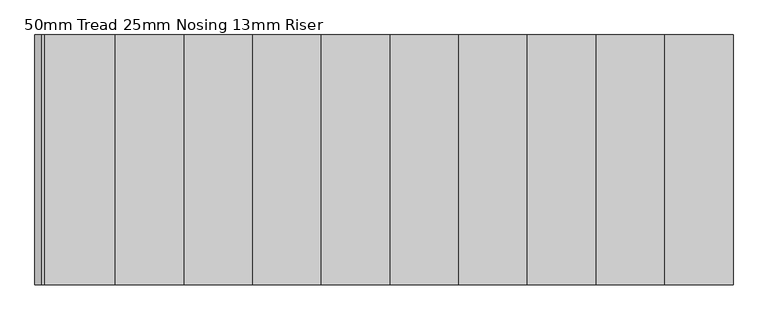
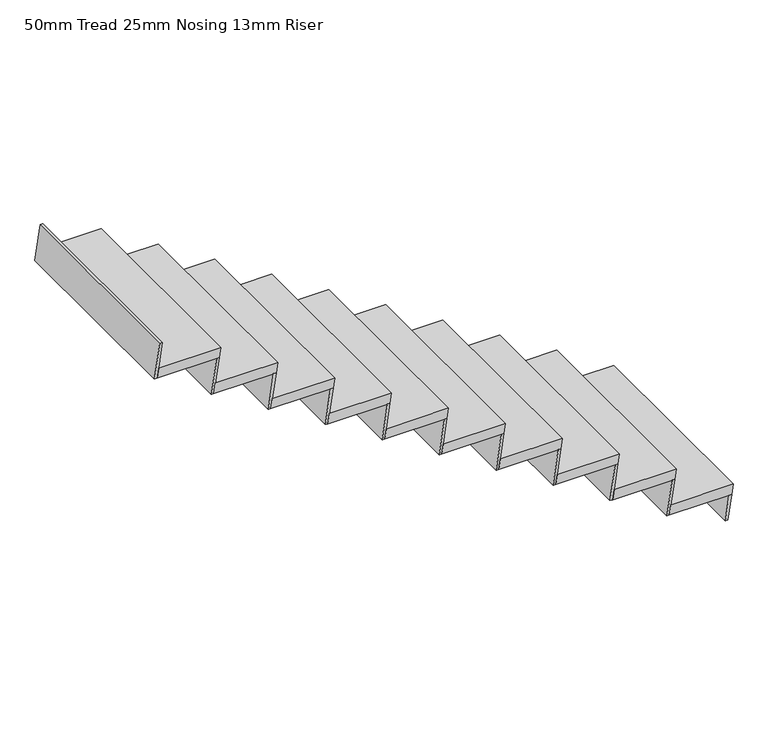
"""IFC4 building model written with IfcOpenShell, lengths in millimetres: stair flight geometry, 50mm Tread 25mm Nosing 13mm Riser."""

from ifc_helpers import new_model, si_unit, origin, place, context, project, spatial, faceted_brep, source, transform, mapped, element, save


def stair_flight_50mm_tread_25mm_nosing_13mm_riser_6764462c(model_context):
    return source(origin(), model_context, "Body", "Brep", [
        faceted_brep([(-4673.5788798, 2252.5953921, 173.9130435), (-4680.7663798, 2252.5953921, 123.9130435), (-4680.7663798, 1252.5953921, 123.9130435), (-4673.5788798, 1252.5953921, 173.9130435), (-4373.5788798, 1252.5953921, 173.9130435), (-4373.5788798, 2252.5953921, 173.9130435), (-4380.7663798, 2252.5953921, 123.9130435), (-4380.7663798, 1252.5953921, 123.9130435)], [[[0, 1, 2, 3]], [[3, 4, 5, 0]], [[2, 1, 6, 7]], [[4, 3, 2, 7]], [[0, 5, 6, 1]], [[5, 4, 7, 6]]]),
        faceted_brep([(-4380.7663798, 2252.5953921, 123.9130435), (-4398.5788798, 2252.5953921, 0.0), (-4411.2073698, 2252.5953921, 0.0), (-4393.3948698, 2252.5953921, 123.9130435), (-4380.7663798, 1252.5953921, 123.9130435), (-4393.3948698, 1252.5953921, 123.9130435), (-4411.2073698, 1252.5953921, 0.0), (-4398.5788798, 1252.5953921, 0.0)], [[[0, 1, 2, 3]], [[4, 5, 6, 7]], [[1, 0, 4, 7]], [[2, 1, 7, 6]], [[3, 2, 6, 5]], [[0, 3, 5, 4]]]),
        faceted_brep([(-4655.7663798, 2252.5953921, 297.826087), (-4680.7663798, 2252.5953921, 123.9130435), (-4693.3948698, 2252.5953921, 123.9130435), (-4668.3948698, 2252.5953921, 297.826087), (-4655.7663798, 1252.5953921, 297.826087), (-4668.3948698, 1252.5953921, 297.826087), (-4693.3948698, 1252.5953921, 123.9130435), (-4680.7663798, 1252.5953921, 123.9130435)], [[[0, 1, 2, 3]], [[4, 5, 6, 7]], [[1, 0, 4, 7]], [[2, 1, 7, 6]], [[3, 2, 6, 5]], [[0, 3, 5, 4]]]),
        faceted_brep([(-4948.5788798, 1252.5953921, 347.826087), (-4648.5788798, 1252.5953921, 347.826087), (-4648.5788798, 2252.5953921, 347.826087), (-4948.5788798, 2252.5953921, 347.826087), (-4955.7663798, 1252.5953921, 297.826087), (-4955.7663798, 2252.5953921, 297.826087), (-4655.7663798, 2252.5953921, 297.826087), (-4655.7663798, 1252.5953921, 297.826087)], [[[0, 1, 2, 3]], [[4, 5, 6, 7]], [[1, 0, 4, 7]], [[3, 2, 6, 5]], [[3, 5, 4, 0]], [[2, 1, 7, 6]]]),
        faceted_brep([(-4930.7663798, 2252.5953921, 471.7391304), (-4955.7663798, 2252.5953921, 297.826087), (-4968.3948698, 2252.5953921, 297.826087), (-4943.3948698, 2252.5953921, 471.7391304), (-4930.7663798, 1252.5953921, 471.7391304), (-4943.3948698, 1252.5953921, 471.7391304), (-4968.3948698, 1252.5953921, 297.826087), (-4955.7663798, 1252.5953921, 297.826087)], [[[0, 1, 2, 3]], [[4, 5, 6, 7]], [[1, 0, 4, 7]], [[2, 1, 7, 6]], [[3, 2, 6, 5]], [[0, 3, 5, 4]]]),
        faceted_brep([(-5223.5788798, 1252.5953921, 521.7391304), (-4923.5788798, 1252.5953921, 521.7391304), (-4923.5788798, 2252.5953921, 521.7391304), (-5223.5788798, 2252.5953921, 521.7391304), (-5230.7663798, 1252.5953921, 471.7391304), (-5230.7663798, 2252.5953921, 471.7391304), (-4930.7663798, 2252.5953921, 471.7391304), (-4930.7663798, 1252.5953921, 471.7391304)], [[[0, 1, 2, 3]], [[4, 5, 6, 7]], [[1, 0, 4, 7]], [[3, 2, 6, 5]], [[3, 5, 4, 0]], [[2, 1, 7, 6]]]),
        faceted_brep([(-5205.7663798, 2252.5953921, 645.6521739), (-5230.7663798, 2252.5953921, 471.7391304), (-5243.3948698, 2252.5953921, 471.7391304), (-5218.3948698, 2252.5953921, 645.6521739), (-5205.7663798, 1252.5953921, 645.6521739), (-5218.3948698, 1252.5953921, 645.6521739), (-5243.3948698, 1252.5953921, 471.7391304), (-5230.7663798, 1252.5953921, 471.7391304)], [[[0, 1, 2, 3]], [[4, 5, 6, 7]], [[1, 0, 4, 7]], [[2, 1, 7, 6]], [[3, 2, 6, 5]], [[0, 3, 5, 4]]]),
        faceted_brep([(-5498.5788798, 1252.5953921, 695.6521739), (-5198.5788798, 1252.5953921, 695.6521739), (-5198.5788798, 2252.5953921, 695.6521739), (-5498.5788798, 2252.5953921, 695.6521739), (-5505.7663798, 1252.5953921, 645.6521739), (-5505.7663798, 2252.5953921, 645.6521739), (-5205.7663798, 2252.5953921, 645.6521739), (-5205.7663798, 1252.5953921, 645.6521739)], [[[0, 1, 2, 3]], [[4, 5, 6, 7]], [[1, 0, 4, 7]], [[3, 2, 6, 5]], [[3, 5, 4, 0]], [[2, 1, 7, 6]]]),
        faceted_brep([(-5480.7663798, 2252.5953921, 819.5652174), (-5505.7663798, 2252.5953921, 645.6521739), (-5518.3948698, 2252.5953921, 645.6521739), (-5493.3948698, 2252.5953921, 819.5652174), (-5480.7663798, 1252.5953921, 819.5652174), (-5493.3948698, 1252.5953921, 819.5652174), (-5518.3948698, 1252.5953921, 645.6521739), (-5505.7663798, 1252.5953921, 645.6521739)], [[[0, 1, 2, 3]], [[4, 5, 6, 7]], [[1, 0, 4, 7]], [[2, 1, 7, 6]], [[3, 2, 6, 5]], [[0, 3, 5, 4]]]),
        faceted_brep([(-5773.5788798, 1252.5953921, 869.5652174), (-5473.5788798, 1252.5953921, 869.5652174), (-5473.5788798, 2252.5953921, 869.5652174), (-5773.5788798, 2252.5953921, 869.5652174), (-5780.7663798, 1252.5953921, 819.5652174), (-5780.7663798, 2252.5953921, 819.5652174), (-5480.7663798, 2252.5953921, 819.5652174), (-5480.7663798, 1252.5953921, 819.5652174)], [[[0, 1, 2, 3]], [[4, 5, 6, 7]], [[1, 0, 4, 7]], [[3, 2, 6, 5]], [[3, 5, 4, 0]], [[2, 1, 7, 6]]]),
        faceted_brep([(-5755.7663798, 2252.5953921, 993.4782609), (-5780.7663798, 2252.5953921, 819.5652174), (-5793.3948698, 2252.5953921, 819.5652174), (-5768.3948698, 2252.5953921, 993.4782609), (-5755.7663798, 1252.5953921, 993.4782609), (-5768.3948698, 1252.5953921, 993.4782609), (-5793.3948698, 1252.5953921, 819.5652174), (-5780.7663798, 1252.5953921, 819.5652174)], [[[0, 1, 2, 3]], [[4, 5, 6, 7]], [[1, 0, 4, 7]], [[2, 1, 7, 6]], [[3, 2, 6, 5]], [[0, 3, 5, 4]]]),
        faceted_brep([(-6048.5788798, 1252.5953921, 1043.4782609), (-5748.5788798, 1252.5953921, 1043.4782609), (-5748.5788798, 2252.5953921, 1043.4782609), (-6048.5788798, 2252.5953921, 1043.4782609), (-6055.7663798, 1252.5953921, 993.4782609), (-6055.7663798, 2252.5953921, 993.4782609), (-5755.7663798, 2252.5953921, 993.4782609), (-5755.7663798, 1252.5953921, 993.4782609)], [[[0, 1, 2, 3]], [[4, 5, 6, 7]], [[1, 0, 4, 7]], [[3, 2, 6, 5]], [[3, 5, 4, 0]], [[2, 1, 7, 6]]]),
        faceted_brep([(-6030.7663798, 2252.5953921, 1167.3913043), (-6055.7663798, 2252.5953921, 993.4782609), (-6068.3948698, 2252.5953921, 993.4782609), (-6043.3948698, 2252.5953921, 1167.3913043), (-6030.7663798, 1252.5953921, 1167.3913043), (-6043.3948698, 1252.5953921, 1167.3913043), (-6068.3948698, 1252.5953921, 993.4782609), (-6055.7663798, 1252.5953921, 993.4782609)], [[[0, 1, 2, 3]], [[4, 5, 6, 7]], [[1, 0, 4, 7]], [[2, 1, 7, 6]], [[3, 2, 6, 5]], [[0, 3, 5, 4]]]),
        faceted_brep([(-6323.5788798, 1252.5953921, 1217.3913043), (-6023.5788798, 1252.5953921, 1217.3913043), (-6023.5788798, 2252.5953921, 1217.3913043), (-6323.5788798, 2252.5953921, 1217.3913043), (-6330.7663798, 1252.5953921, 1167.3913043), (-6330.7663798, 2252.5953921, 1167.3913043), (-6030.7663798, 2252.5953921, 1167.3913043), (-6030.7663798, 1252.5953921, 1167.3913043)], [[[0, 1, 2, 3]], [[4, 5, 6, 7]], [[1, 0, 4, 7]], [[3, 2, 6, 5]], [[3, 5, 4, 0]], [[2, 1, 7, 6]]]),
        faceted_brep([(-6305.7663798, 2252.5953921, 1341.3043478), (-6330.7663798, 2252.5953921, 1167.3913043), (-6343.3948698, 2252.5953921, 1167.3913043), (-6318.3948698, 2252.5953921, 1341.3043478), (-6305.7663798, 1252.5953921, 1341.3043478), (-6318.3948698, 1252.5953921, 1341.3043478), (-6343.3948698, 1252.5953921, 1167.3913043), (-6330.7663798, 1252.5953921, 1167.3913043)], [[[0, 1, 2, 3]], [[4, 5, 6, 7]], [[1, 0, 4, 7]], [[2, 1, 7, 6]], [[3, 2, 6, 5]], [[0, 3, 5, 4]]]),
        faceted_brep([(-6598.5788798, 1252.5953921, 1391.3043478), (-6298.5788798, 1252.5953921, 1391.3043478), (-6298.5788798, 2252.5953921, 1391.3043478), (-6598.5788798, 2252.5953921, 1391.3043478), (-6605.7663798, 1252.5953921, 1341.3043478), (-6605.7663798, 2252.5953921, 1341.3043478), (-6305.7663798, 2252.5953921, 1341.3043478), (-6305.7663798, 1252.5953921, 1341.3043478)], [[[0, 1, 2, 3]], [[4, 5, 6, 7]], [[1, 0, 4, 7]], [[3, 2, 6, 5]], [[3, 5, 4, 0]], [[2, 1, 7, 6]]]),
        faceted_brep([(-6580.7663798, 2252.5953921, 1515.2173913), (-6605.7663798, 2252.5953921, 1341.3043478), (-6618.3948698, 2252.5953921, 1341.3043478), (-6593.3948698, 2252.5953921, 1515.2173913), (-6580.7663798, 1252.5953921, 1515.2173913), (-6593.3948698, 1252.5953921, 1515.2173913), (-6618.3948698, 1252.5953921, 1341.3043478), (-6605.7663798, 1252.5953921, 1341.3043478)], [[[0, 1, 2, 3]], [[4, 5, 6, 7]], [[1, 0, 4, 7]], [[2, 1, 7, 6]], [[3, 2, 6, 5]], [[0, 3, 5, 4]]]),
        faceted_brep([(-6873.5788798, 1252.5953921, 1565.2173913), (-6573.5788798, 1252.5953921, 1565.2173913), (-6573.5788798, 2252.5953921, 1565.2173913), (-6873.5788798, 2252.5953921, 1565.2173913), (-6880.7663798, 1252.5953921, 1515.2173913), (-6880.7663798, 2252.5953921, 1515.2173913), (-6580.7663798, 2252.5953921, 1515.2173913), (-6580.7663798, 1252.5953921, 1515.2173913)], [[[0, 1, 2, 3]], [[4, 5, 6, 7]], [[1, 0, 4, 7]], [[3, 2, 6, 5]], [[3, 5, 4, 0]], [[2, 1, 7, 6]]]),
        faceted_brep([(-7130.7663798, 2252.5953921, 1863.0434783), (-7155.7663798, 2252.5953921, 1689.1304348), (-7168.3948698, 2252.5953921, 1689.1304348), (-7143.3948698, 2252.5953921, 1863.0434783), (-7130.7663798, 1252.5953921, 1863.0434783), (-7143.3948698, 1252.5953921, 1863.0434783), (-7168.3948698, 1252.5953921, 1689.1304348), (-7155.7663798, 1252.5953921, 1689.1304348)], [[[0, 1, 2, 3]], [[4, 5, 6, 7]], [[1, 0, 4, 7]], [[2, 1, 7, 6]], [[3, 2, 6, 5]], [[0, 3, 5, 4]]]),
        faceted_brep([(-6855.7663798, 2252.5953921, 1689.1304348), (-6880.7663798, 2252.5953921, 1515.2173913), (-6893.3948698, 2252.5953921, 1515.2173913), (-6868.3948698, 2252.5953921, 1689.1304348), (-6855.7663798, 1252.5953921, 1689.1304348), (-6868.3948698, 1252.5953921, 1689.1304348), (-6893.3948698, 1252.5953921, 1515.2173913), (-6880.7663798, 1252.5953921, 1515.2173913)], [[[0, 1, 2, 3]], [[4, 5, 6, 7]], [[1, 0, 4, 7]], [[2, 1, 7, 6]], [[3, 2, 6, 5]], [[0, 3, 5, 4]]]),
        faceted_brep([(-7148.5788798, 1252.5953921, 1739.1304348), (-6848.5788798, 1252.5953921, 1739.1304348), (-6848.5788798, 2252.5953921, 1739.1304348), (-7123.5788798, 2252.5953921, 1739.1304348), (-7148.5788798, 2252.5953921, 1739.1304348), (-7155.7663798, 1252.5953921, 1689.1304348), (-7155.7663798, 2252.5953921, 1689.1304348), (-7123.5788798, 2252.5953921, 1689.1304348), (-6855.7663798, 2252.5953921, 1689.1304348), (-6855.7663798, 1252.5953921, 1689.1304348)], [[[0, 1, 2, 3, 4]], [[5, 6, 7, 8, 9]], [[1, 0, 5, 9]], [[3, 2, 8, 7]], [[4, 3, 7, 6]], [[4, 6, 5, 0]], [[2, 1, 9, 8]]]),
    ])


if __name__ == "__main__":
    model = new_model("IFC4")
    model_context = context("Model", 3, world=origin())
    ifc_project = project(units=[si_unit("LENGTHUNIT", "METRE", prefix="MILLI")], contexts=[model_context])
    site = spatial("IfcSite", under=ifc_project)
    building = spatial("IfcBuilding", under=site)
    placement = place(None, origin())
    stair_flight_50mm_tread_25mm_nosing_13mm_riser_shape = stair_flight_50mm_tread_25mm_nosing_13mm_riser_6764462c(model_context)
    element("IfcStairFlight", 1, ObjectType="50mm Tread 25mm Nosing 13mm Riser", at=placement, inside=building, context=model_context, shape_type="MappedRepresentation", body=[
        mapped(stair_flight_50mm_tread_25mm_nosing_13mm_riser_shape, transform((0.0, 0.0, 0.0), x_axis=(1.0, 0.0, 0.0), y_axis=(0.0, 1.0, 0.0), z_axis=(0.0, 0.0, 1.0))),
    ])
    save(model, "model.ifc")
